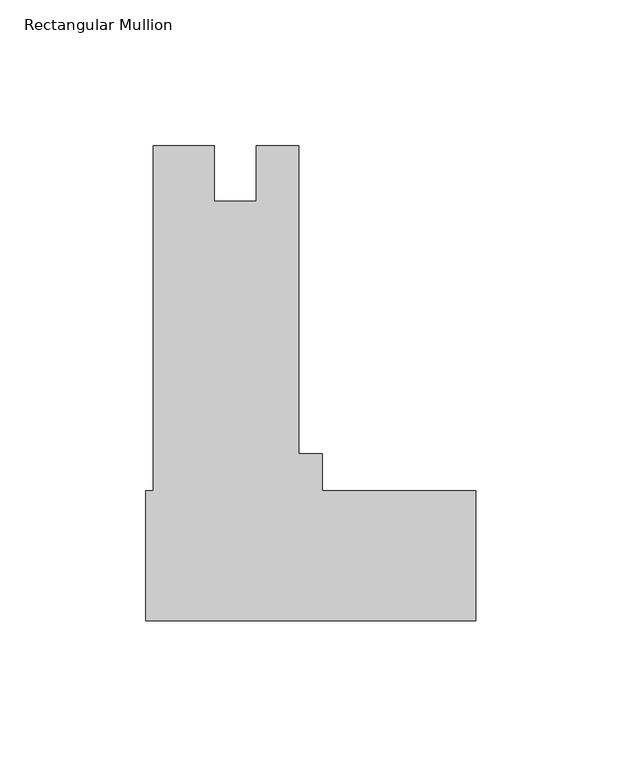
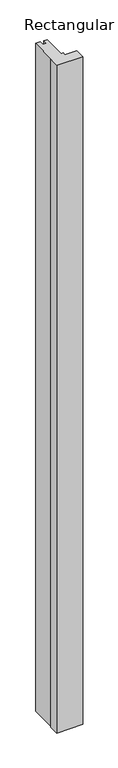
"""IFC4 building model written with IfcOpenShell, lengths in millimetres: member geometry, Rectangular Mullion."""

from ifc_helpers import new_model, si_unit, frame, origin, place, context, project, spatial, polyline, outline, extrude, source, transform, mapped, element, save


def rectangular_mullion_95ebd180(model_context):
    return source(origin(), model_context, "Body", "SweptSolid", [
        extrude(outline(polyline([(-113.0808, -23.8125), (-110.51159, -23.8125), (-110.51159, 94.45625), (-89.6365889, 94.45625), (-89.6365889, 75.4316513), (-75.31989, 75.4316513), (-75.31989, 94.4562513), (-60.72759, 94.4562513), (-60.72759, -11.1125), (-52.5526, -11.1125), (-52.5526, -23.8125), (0.0, -23.8125), (0.0, -68.2625), (-113.0808, -68.2625), (-113.0808, -23.8125)])), frame((0.0, 0.0, -3048.0), z_axis=(0.0, 0.0, 1.0), x_axis=(1.0, 0.0, 0.0)), (0.0, 0.0, 1.0), 3048.0),
    ])


if __name__ == "__main__":
    model = new_model("IFC4")
    model_context = context("Model", 3, world=origin())
    ifc_project = project(units=[si_unit("LENGTHUNIT", "METRE", prefix="MILLI")], contexts=[model_context])
    site = spatial("IfcSite", under=ifc_project)
    building = spatial("IfcBuilding", under=site)
    placement = place(None, origin())
    rectangular_mullion_shape = rectangular_mullion_95ebd180(model_context)
    element("IfcMember", 1, ObjectType="Rectangular Mullion", at=placement, inside=building, context=model_context, shape_type="MappedRepresentation", body=[
        mapped(rectangular_mullion_shape, transform((0.0, 0.0, 0.0), x_axis=(1.0, 0.0, 0.0), y_axis=(0.0, 1.0, 0.0), z_axis=(0.0, 0.0, 1.0))),
    ])
    save(model, "model.ifc")
